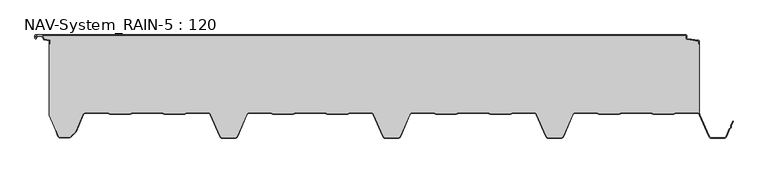
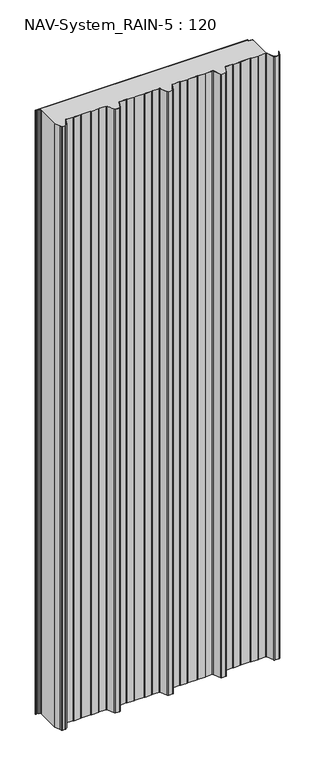
"""IFC4 building model written with IfcOpenShell, lengths in millimetres: plate geometry, NAV-System_RAIN-5 : 120."""

from ifc_helpers import new_model, si_unit, point, frame_2d, origin, origin_with_axes, place, context, project, spatial, polyline, circle_curve, trimmed, segment, composite_curve, outline, extrude, source, transform, mapped, element, save


def nav_system_rain_5_120_d1ebf1fd(model_context):
    return source(origin(), model_context, "Body", "SweptSolid", [
        extrude(outline(composite_curve([segment(polyline([(519.0, -13.6767555), (518.2, -13.6767555), (518.2, -9.3721283), (500.4911207, -6.8818536)]), True, "CONTINUOUS"), segment(trimmed(circle_curve(frame_2d((500.7, -5.3964683)), 1.5), [point((500.4911207, -6.8818536))], [point((499.2, -5.3964683))], False, "CARTESIAN"), True, "CONTINUOUS"), segment(polyline([(499.2, -5.3964683), (499.2, -0.8), (-498.7, -0.8)]), True, "CONTINUOUS"), segment(trimmed(circle_curve(frame_2d((-498.7, -1.3)), 0.5), [point((-498.7, -0.8))], [point((-499.2, -1.3))], True, "CARTESIAN"), True, "CONTINUOUS"), segment(polyline([(-499.2, -1.3), (-499.2, -4.3700191)]), True, "CONTINUOUS"), segment(trimmed(circle_curve(frame_2d((-498.7, -4.3700191)), 0.5), [point((-499.2, -4.3700191))], [point((-498.2669873, -4.6200191))], True, "CARTESIAN"), True, "CONTINUOUS"), segment(polyline([(-498.2669873, -4.6200191), (-496.2924383, -1.2), (-488.9841833, -1.2), (-485.8164586, -6.6866602), (-477.2, -7.898332), (-477.2, -13.6767555), (-478.0, -13.6767555), (-478.0, -8.5937048), (-485.6863953, -7.5128213)]), True, "CONTINUOUS"), segment(trimmed(circle_curve(frame_2d((-485.5053666, -6.2254873)), 1.3), [point((-485.6863953, -7.5128213))], [point((-486.6311996, -6.8754873))], False, "CARTESIAN"), True, "CONTINUOUS"), segment(polyline([(-486.6311996, -6.8754873), (-489.4460636, -2.0), (-495.8305581, -2.0), (-497.574167, -5.0200191)]), True, "CONTINUOUS"), segment(trimmed(circle_curve(frame_2d((-498.7, -4.3700191)), 1.3), [point((-497.574167, -5.0200191))], [point((-500.0, -4.3700191))], False, "CARTESIAN"), True, "CONTINUOUS"), segment(polyline([(-500.0, -4.3700191), (-500.0, -1.3)]), True, "CONTINUOUS"), segment(trimmed(circle_curve(frame_2d((-498.7, -1.3)), 1.3), [point((-500.0, -1.3))], [point((-498.7, 0.0))], False, "CARTESIAN"), True, "CONTINUOUS"), segment(polyline([(-498.7, 0.0), (498.7, 0.0)]), True, "CONTINUOUS"), segment(trimmed(circle_curve(frame_2d((498.7, -1.3)), 1.3), [point((498.7, 0.0))], [point((500.0, -1.3))], False, "CARTESIAN"), True, "CONTINUOUS"), segment(polyline([(500.0, -1.3), (500.0, -5.3964683)]), True, "CONTINUOUS"), segment(trimmed(circle_curve(frame_2d((500.7, -5.3964683)), 0.7), [point((500.0, -5.3964683))], [point((500.602523, -6.0896481))], True, "CARTESIAN"), True, "CONTINUOUS"), segment(polyline([(500.602523, -6.0896481), (517.8810287, -8.5194024)]), True, "CONTINUOUS"), segment(trimmed(circle_curve(frame_2d((517.7, -9.8067363)), 1.3), [point((517.8810287, -8.5194024))], [point((519.0, -9.8067363))], False, "CARTESIAN"), True, "CONTINUOUS"), segment(polyline([(519.0, -9.8067363), (519.0, -13.6767555)]), True, "CONTINUOUS")], self_intersect=False)), origin_with_axes(), (0.0, 0.0, 1.0), 3000.0),
        extrude(outline(composite_curve([segment(trimmed(circle_curve(frame_2d((515.5898022, -124.0)), 4.8), [point((519.0, -120.6220493))], [point((515.5898022, -119.2))], True, "CARTESIAN"), True, "CONTINUOUS"), segment(polyline([(515.5898022, -119.2), (483.6922468, -119.2), (479.6508228, -120.7), (448.0723788, -120.6741102), (444.1768702, -119.2), (400.3589135, -119.2), (396.3174895, -120.7), (364.7390455, -120.6741102), (360.8435369, -119.2), (328.9416341, -119.2)]), True, "CONTINUOUS"), segment(trimmed(circle_curve(frame_2d((328.9416341, -124.0)), 4.8), [point((328.9416341, -119.2))], [point((324.5314363, -122.1052295))], True, "CARTESIAN"), True, "CONTINUOUS"), segment(polyline([(324.5314363, -122.1052295), (310.330878, -155.1579242)]), True, "CONTINUOUS"), segment(trimmed(circle_curve(frame_2d((306.4719549, -153.5)), 4.2), [point((310.330878, -155.1579242))], [point((306.4719549, -157.7))], False, "CARTESIAN"), True, "CONTINUOUS"), segment(polyline([(306.4719549, -157.7), (288.0594814, -157.7)]), True, "CONTINUOUS"), segment(trimmed(circle_curve(frame_2d((288.0594814, -153.5)), 4.2), [point((288.0594814, -157.7))], [point((284.2005583, -155.1579242))], False, "CARTESIAN"), True, "CONTINUOUS"), segment(polyline([(284.2005583, -155.1579242), (270.0, -122.1052295)]), True, "CONTINUOUS"), segment(trimmed(circle_curve(frame_2d((265.5898022, -124.0)), 4.8), [point((270.0, -122.1052295))], [point((265.5898022, -119.2))], True, "CARTESIAN"), True, "CONTINUOUS"), segment(polyline([(265.5898022, -119.2), (233.6922468, -119.2), (229.6508228, -120.7), (198.0723788, -120.6741102), (194.1768702, -119.2), (150.3589135, -119.2), (146.3174895, -120.7), (114.8074622, -120.7), (110.8435369, -119.2), (78.9416341, -119.2)]), True, "CONTINUOUS"), segment(trimmed(circle_curve(frame_2d((78.9416341, -124.0)), 4.8), [point((78.9416341, -119.2))], [point((74.5314363, -122.1052295))], True, "CARTESIAN"), True, "CONTINUOUS"), segment(polyline([(74.5314363, -122.1052295), (60.330878, -155.1579242)]), True, "CONTINUOUS"), segment(trimmed(circle_curve(frame_2d((56.4719549, -153.5)), 4.2), [point((60.330878, -155.1579242))], [point((56.4719549, -157.7))], False, "CARTESIAN"), True, "CONTINUOUS"), segment(polyline([(56.4719549, -157.7), (38.0594814, -157.7)]), True, "CONTINUOUS"), segment(trimmed(circle_curve(frame_2d((38.0594814, -153.5)), 4.2), [point((38.0594814, -157.7))], [point((34.2005583, -155.1579242))], False, "CARTESIAN"), True, "CONTINUOUS"), segment(polyline([(34.2005583, -155.1579242), (20.0, -122.1052295)]), True, "CONTINUOUS"), segment(trimmed(circle_curve(frame_2d((15.5898022, -124.0)), 4.8), [point((20.0, -122.1052295))], [point((15.5898022, -119.2))], True, "CARTESIAN"), True, "CONTINUOUS"), segment(polyline([(15.5898022, -119.2), (-16.3077532, -119.2), (-20.3491772, -120.7), (-51.9276212, -120.6741102), (-55.8231298, -119.2), (-99.6410865, -119.2), (-103.6825105, -120.7), (-135.1925378, -120.7), (-139.1564631, -119.2), (-171.0583659, -119.2)]), True, "CONTINUOUS"), segment(trimmed(circle_curve(frame_2d((-171.0583659, -124.0)), 4.8), [point((-171.0583659, -119.2))], [point((-175.4685637, -122.1052295))], True, "CARTESIAN"), True, "CONTINUOUS"), segment(polyline([(-175.4685637, -122.1052295), (-189.669122, -155.1579242)]), True, "CONTINUOUS"), segment(trimmed(circle_curve(frame_2d((-193.5280451, -153.5)), 4.2), [point((-189.669122, -155.1579242))], [point((-193.5280451, -157.7))], False, "CARTESIAN"), True, "CONTINUOUS"), segment(polyline([(-193.5280451, -157.7), (-211.9405186, -157.7)]), True, "CONTINUOUS"), segment(trimmed(circle_curve(frame_2d((-211.9405186, -153.5)), 4.2), [point((-211.9405186, -157.7))], [point((-215.7994417, -155.1579242))], False, "CARTESIAN"), True, "CONTINUOUS"), segment(polyline([(-215.7994417, -155.1579242), (-230.0, -122.1052295)]), True, "CONTINUOUS"), segment(trimmed(circle_curve(frame_2d((-234.4101978, -124.0)), 4.8), [point((-230.0, -122.1052295))], [point((-234.4101978, -119.2))], True, "CARTESIAN"), True, "CONTINUOUS"), segment(polyline([(-234.4101978, -119.2), (-266.3077532, -119.2), (-270.3491772, -120.7), (-301.9276212, -120.6741102), (-305.8231298, -119.2), (-349.6410865, -119.2), (-353.6825105, -120.7), (-385.1925378, -120.7), (-389.1564631, -119.2), (-421.9290751, -119.2)]), True, "CONTINUOUS"), segment(trimmed(circle_curve(frame_2d((-421.9290751, -124.0)), 4.8), [point((-421.9290751, -119.2))], [point((-426.3392729, -122.1052295))], True, "CARTESIAN"), True, "CONTINUOUS"), segment(polyline([(-426.3392729, -122.1052295), (-437.4245651, -147.9069459)]), True, "CONTINUOUS"), segment(trimmed(circle_curve(frame_2d((-441.2834882, -146.2490217)), 4.2), [point((-437.4245651, -147.9069459))], [point((-438.3136397, -149.2188701))], False, "CARTESIAN"), True, "CONTINUOUS"), segment(polyline([(-438.3136397, -149.2188701), (-444.764618, -155.6698485)]), True, "CONTINUOUS"), segment(trimmed(circle_curve(frame_2d((-447.7344665, -152.7)), 4.2), [point((-444.764618, -155.6698485))], [point((-447.7344665, -156.9))], False, "CARTESIAN"), True, "CONTINUOUS"), segment(polyline([(-447.7344665, -156.9), (-461.1405186, -156.9)]), True, "CONTINUOUS"), segment(trimmed(circle_curve(frame_2d((-461.1405186, -153.7)), 3.2), [point((-461.1405186, -156.9))], [point((-464.1022482, -154.9116756))], False, "CARTESIAN"), True, "CONTINUOUS"), segment(polyline([(-464.1022482, -154.9116756), (-467.6292254, -146.2905951), (-468.3696578, -146.593514), (-478.0, -123.053822), (-478.0, -13.6767555), (-477.2, -13.6767555), (-477.2, -7.898332), (-485.8164586, -6.6866602), (-488.9841833, -1.2), (-496.2924383, -1.2), (-498.2669873, -4.6200191)]), True, "CONTINUOUS"), segment(trimmed(circle_curve(frame_2d((-498.7, -4.3700191)), 0.5), [point((-498.2669873, -4.6200191))], [point((-499.2, -4.3700191))], False, "CARTESIAN"), True, "CONTINUOUS"), segment(polyline([(-499.2, -4.3700191), (-499.2, -1.3)]), True, "CONTINUOUS"), segment(trimmed(circle_curve(frame_2d((-498.7, -1.3)), 0.5), [point((-499.2, -1.3))], [point((-498.7, -0.8))], False, "CARTESIAN"), True, "CONTINUOUS"), segment(polyline([(-498.7, -0.8), (499.2, -0.8), (499.2, -5.3964683)]), True, "CONTINUOUS"), segment(trimmed(circle_curve(frame_2d((500.7, -5.3964683)), 1.5), [point((499.2, -5.3964683))], [point((500.4911207, -6.8818536))], True, "CARTESIAN"), True, "CONTINUOUS"), segment(polyline([(500.4911207, -6.8818536), (518.2, -9.3721283), (518.2, -13.6767555), (519.0, -13.6767555), (519.0, -120.6220493)]), True, "CONTINUOUS")], self_intersect=False)), origin_with_axes(), (0.0, 0.0, 1.0), 3000.0),
        extrude(outline(composite_curve([segment(polyline([(-464.8430228, -155.2145945), (-468.37, -146.593514), (-467.6295676, -146.2905951), (-464.1025904, -154.9116756)]), True, "CONTINUOUS"), segment(trimmed(circle_curve(frame_2d((-461.1408608, -153.7)), 3.2), [point((-464.1025904, -154.9116756))], [point((-461.1408608, -156.9))], True, "CARTESIAN"), True, "CONTINUOUS"), segment(polyline([(-461.1408608, -156.9), (-447.7348087, -156.9)]), True, "CONTINUOUS"), segment(trimmed(circle_curve(frame_2d((-447.7348087, -152.7)), 4.2), [point((-447.7348087, -156.9))], [point((-444.7649603, -155.6698485))], True, "CARTESIAN"), True, "CONTINUOUS"), segment(polyline([(-444.7649603, -155.6698485), (-438.3139819, -149.2188701)]), True, "CONTINUOUS"), segment(trimmed(circle_curve(frame_2d((-441.2838304, -146.2490217)), 4.2), [point((-438.3139819, -149.2188701))], [point((-437.4249073, -147.9069459))], True, "CARTESIAN"), True, "CONTINUOUS"), segment(polyline([(-437.4249073, -147.9069459), (-426.3396151, -122.1052295)]), True, "CONTINUOUS"), segment(trimmed(circle_curve(frame_2d((-421.9294173, -124.0)), 4.8), [point((-426.3396151, -122.1052295))], [point((-421.9294173, -119.2))], False, "CARTESIAN"), True, "CONTINUOUS"), segment(polyline([(-421.9294173, -119.2), (-389.1568054, -119.2), (-385.19288, -120.7), (-353.6828527, -120.7), (-349.6414287, -119.2), (-305.8234721, -119.2), (-301.9279634, -120.6741102), (-270.3495194, -120.7), (-266.3080954, -119.2), (-234.41054, -119.2)]), True, "CONTINUOUS"), segment(trimmed(circle_curve(frame_2d((-234.41054, -124.0)), 4.8), [point((-234.41054, -119.2))], [point((-230.0003422, -122.1052295))], False, "CARTESIAN"), True, "CONTINUOUS"), segment(polyline([(-230.0003422, -122.1052295), (-215.7997839, -155.1579242)]), True, "CONTINUOUS"), segment(trimmed(circle_curve(frame_2d((-211.9408608, -153.5)), 4.2), [point((-215.7997839, -155.1579242))], [point((-211.9408608, -157.7))], True, "CARTESIAN"), True, "CONTINUOUS"), segment(polyline([(-211.9408608, -157.7), (-193.5283873, -157.7)]), True, "CONTINUOUS"), segment(trimmed(circle_curve(frame_2d((-193.5283873, -153.5)), 4.2), [point((-193.5283873, -157.7))], [point((-189.6694642, -155.1579242))], True, "CARTESIAN"), True, "CONTINUOUS"), segment(polyline([(-189.6694642, -155.1579242), (-175.4689059, -122.1052295)]), True, "CONTINUOUS"), segment(trimmed(circle_curve(frame_2d((-171.0587081, -124.0)), 4.8), [point((-175.4689059, -122.1052295))], [point((-171.0587081, -119.2))], False, "CARTESIAN"), True, "CONTINUOUS"), segment(polyline([(-171.0587081, -119.2), (-139.1568054, -119.2), (-135.2612967, -120.6741102), (-103.6828527, -120.7), (-99.6414287, -119.2), (-55.8234721, -119.2), (-51.9279634, -120.6741102), (-20.3495194, -120.7), (-16.3080954, -119.2), (15.58946, -119.2)]), True, "CONTINUOUS"), segment(trimmed(circle_curve(frame_2d((15.58946, -124.0)), 4.8), [point((15.58946, -119.2))], [point((19.9996578, -122.1052295))], False, "CARTESIAN"), True, "CONTINUOUS"), segment(polyline([(19.9996578, -122.1052295), (34.2002161, -155.1579242)]), True, "CONTINUOUS"), segment(trimmed(circle_curve(frame_2d((38.0591392, -153.5)), 4.2), [point((34.2002161, -155.1579242))], [point((38.0591392, -157.7))], True, "CARTESIAN"), True, "CONTINUOUS"), segment(polyline([(38.0591392, -157.7), (56.4716127, -157.7)]), True, "CONTINUOUS"), segment(trimmed(circle_curve(frame_2d((56.4716127, -153.5)), 4.2), [point((56.4716127, -157.7))], [point((60.3305358, -155.1579242))], True, "CARTESIAN"), True, "CONTINUOUS"), segment(polyline([(60.3305358, -155.1579242), (74.5310941, -122.1052295)]), True, "CONTINUOUS"), segment(trimmed(circle_curve(frame_2d((78.9412919, -124.0)), 4.8), [point((74.5310941, -122.1052295))], [point((78.9412919, -119.2))], False, "CARTESIAN"), True, "CONTINUOUS"), segment(polyline([(78.9412919, -119.2), (110.8431946, -119.2), (114.7387033, -120.6741102), (146.3171473, -120.7), (150.3585713, -119.2), (194.1765279, -119.2), (198.0720366, -120.6741102), (229.6504806, -120.7), (233.6919046, -119.2), (265.58946, -119.2)]), True, "CONTINUOUS"), segment(trimmed(circle_curve(frame_2d((265.58946, -124.0)), 4.8), [point((265.58946, -119.2))], [point((269.9996578, -122.1052295))], False, "CARTESIAN"), True, "CONTINUOUS"), segment(polyline([(269.9996578, -122.1052295), (284.2002161, -155.1579242)]), True, "CONTINUOUS"), segment(trimmed(circle_curve(frame_2d((288.0591392, -153.5)), 4.2), [point((284.2002161, -155.1579242))], [point((288.0591392, -157.7))], True, "CARTESIAN"), True, "CONTINUOUS"), segment(polyline([(288.0591392, -157.7), (306.4716127, -157.7)]), True, "CONTINUOUS"), segment(trimmed(circle_curve(frame_2d((306.4716127, -153.5)), 4.2), [point((306.4716127, -157.7))], [point((310.3305358, -155.1579242))], True, "CARTESIAN"), True, "CONTINUOUS"), segment(polyline([(310.3305358, -155.1579242), (324.5310941, -122.1052295)]), True, "CONTINUOUS"), segment(trimmed(circle_curve(frame_2d((328.9412919, -124.0)), 4.8), [point((324.5310941, -122.1052295))], [point((328.9412919, -119.2))], False, "CARTESIAN"), True, "CONTINUOUS"), segment(polyline([(328.9412919, -119.2), (360.8431946, -119.2), (364.7387033, -120.6741102), (396.3171473, -120.7), (400.3585713, -119.2), (444.1765279, -119.2), (448.0720366, -120.6741102), (479.6504806, -120.7), (483.6919046, -119.2), (515.58946, -119.2)]), True, "CONTINUOUS"), segment(trimmed(circle_curve(frame_2d((515.58946, -124.0)), 4.8), [point((515.58946, -119.2))], [point((519.9996578, -122.1052295))], False, "CARTESIAN"), True, "CONTINUOUS"), segment(polyline([(519.9996578, -122.1052295), (534.2002161, -155.1579242)]), True, "CONTINUOUS"), segment(trimmed(circle_curve(frame_2d((538.0591392, -153.5)), 4.2), [point((534.2002161, -155.1579242))], [point((538.0591392, -157.7))], True, "CARTESIAN"), True, "CONTINUOUS"), segment(polyline([(538.0591392, -157.7), (556.4716127, -157.7)]), True, "CONTINUOUS"), segment(trimmed(circle_curve(frame_2d((556.4716127, -153.5)), 4.2), [point((556.4716127, -157.7))], [point((560.3305358, -155.1579242))], True, "CARTESIAN"), True, "CONTINUOUS"), segment(polyline([(560.3305358, -155.1579242), (565.2356202, -143.741031), (567.1121268, -142.0654564), (567.0358547, -139.5508717), (570.0831709, -132.458051), (570.8182039, -132.7738461), (567.8408612, -139.703799), (567.9230626, -142.4138642), (565.9006789, -144.2196957), (561.0655687, -155.4737193)]), True, "CONTINUOUS"), segment(trimmed(circle_curve(frame_2d((556.4716127, -153.5)), 5.0), [point((561.0655687, -155.4737193))], [point((556.4716127, -158.5))], False, "CARTESIAN"), True, "CONTINUOUS"), segment(polyline([(556.4716127, -158.5), (538.0591392, -158.5)]), True, "CONTINUOUS"), segment(trimmed(circle_curve(frame_2d((538.0591392, -153.5)), 5.0), [point((538.0591392, -158.5))], [point((533.4651831, -155.4737193))], False, "CARTESIAN"), True, "CONTINUOUS"), segment(polyline([(533.4651831, -155.4737193), (519.2646248, -122.4210246)]), True, "CONTINUOUS"), segment(trimmed(circle_curve(frame_2d((515.58946, -124.0)), 4.0), [point((519.2646248, -122.4210246))], [point((515.58946, -120.0))], True, "CARTESIAN"), True, "CONTINUOUS"), segment(polyline([(515.58946, -120.0), (483.8338601, -120.0), (479.8699347, -121.5), (447.9941505, -121.5), (444.0302251, -120.0), (400.5005268, -120.0), (396.5366014, -121.5), (364.6608172, -121.5), (360.6968918, -120.0), (328.9412919, -120.0)]), True, "CONTINUOUS"), segment(trimmed(circle_curve(frame_2d((328.9412919, -124.0)), 4.0), [point((328.9412919, -120.0))], [point((325.2661271, -122.4210246))], True, "CARTESIAN"), True, "CONTINUOUS"), segment(polyline([(325.2661271, -122.4210246), (311.0655687, -155.4737193)]), True, "CONTINUOUS"), segment(trimmed(circle_curve(frame_2d((306.4716127, -153.5)), 5.0), [point((311.0655687, -155.4737193))], [point((306.4716127, -158.5))], False, "CARTESIAN"), True, "CONTINUOUS"), segment(polyline([(306.4716127, -158.5), (288.0591392, -158.5)]), True, "CONTINUOUS"), segment(trimmed(circle_curve(frame_2d((288.0591392, -153.5)), 5.0), [point((288.0591392, -158.5))], [point((283.4651831, -155.4737193))], False, "CARTESIAN"), True, "CONTINUOUS"), segment(polyline([(283.4651831, -155.4737193), (269.2646248, -122.4210246)]), True, "CONTINUOUS"), segment(trimmed(circle_curve(frame_2d((265.58946, -124.0)), 4.0), [point((269.2646248, -122.4210246))], [point((265.58946, -120.0))], True, "CARTESIAN"), True, "CONTINUOUS"), segment(polyline([(265.58946, -120.0), (233.8338601, -120.0), (229.8699347, -121.5), (197.9941505, -121.5), (194.0302251, -120.0), (150.5005268, -120.0), (146.5366014, -121.5), (114.6608172, -121.5), (110.6968918, -120.0), (78.9412919, -120.0)]), True, "CONTINUOUS"), segment(trimmed(circle_curve(frame_2d((78.9412919, -124.0)), 4.0), [point((78.9412919, -120.0))], [point((75.2661271, -122.4210246))], True, "CARTESIAN"), True, "CONTINUOUS"), segment(polyline([(75.2661271, -122.4210246), (61.0655687, -155.4737193)]), True, "CONTINUOUS"), segment(trimmed(circle_curve(frame_2d((56.4716127, -153.5)), 5.0), [point((61.0655687, -155.4737193))], [point((56.4716127, -158.5))], False, "CARTESIAN"), True, "CONTINUOUS"), segment(polyline([(56.4716127, -158.5), (38.0591392, -158.5)]), True, "CONTINUOUS"), segment(trimmed(circle_curve(frame_2d((38.0591392, -153.5)), 5.0), [point((38.0591392, -158.5))], [point((33.4651831, -155.4737193))], False, "CARTESIAN"), True, "CONTINUOUS"), segment(polyline([(33.4651831, -155.4737193), (19.2646248, -122.4210246)]), True, "CONTINUOUS"), segment(trimmed(circle_curve(frame_2d((15.58946, -124.0)), 4.0), [point((19.2646248, -122.4210246))], [point((15.58946, -120.0))], True, "CARTESIAN"), True, "CONTINUOUS"), segment(polyline([(15.58946, -120.0), (-16.1661399, -120.0), (-20.1300653, -121.5), (-52.0058495, -121.5), (-55.9697749, -120.0), (-99.4994732, -120.0), (-103.4633986, -121.5), (-135.3391828, -121.5), (-139.3031082, -120.0), (-171.0587081, -120.0)]), True, "CONTINUOUS"), segment(trimmed(circle_curve(frame_2d((-171.0587081, -124.0)), 4.0), [point((-171.0587081, -120.0))], [point((-174.7338729, -122.4210246))], True, "CARTESIAN"), True, "CONTINUOUS"), segment(polyline([(-174.7338729, -122.4210246), (-188.9344313, -155.4737193)]), True, "CONTINUOUS"), segment(trimmed(circle_curve(frame_2d((-193.5283873, -153.5)), 5.0), [point((-188.9344313, -155.4737193))], [point((-193.5283873, -158.5))], False, "CARTESIAN"), True, "CONTINUOUS"), segment(polyline([(-193.5283873, -158.5), (-211.9408608, -158.5)]), True, "CONTINUOUS"), segment(trimmed(circle_curve(frame_2d((-211.9408608, -153.5)), 5.0), [point((-211.9408608, -158.5))], [point((-216.5348169, -155.4737193))], False, "CARTESIAN"), True, "CONTINUOUS"), segment(polyline([(-216.5348169, -155.4737193), (-230.7353752, -122.4210246)]), True, "CONTINUOUS"), segment(trimmed(circle_curve(frame_2d((-234.41054, -124.0)), 4.0), [point((-230.7353752, -122.4210246))], [point((-234.41054, -120.0))], True, "CARTESIAN"), True, "CONTINUOUS"), segment(polyline([(-234.41054, -120.0), (-266.1661399, -120.0), (-270.1300653, -121.5), (-302.0058495, -121.5), (-305.9697749, -120.0), (-349.4994732, -120.0), (-353.4633986, -121.5), (-385.3391828, -121.5), (-389.3031082, -120.0), (-421.9294173, -120.0)]), True, "CONTINUOUS"), segment(trimmed(circle_curve(frame_2d((-421.9294173, -124.0)), 4.0), [point((-421.9294173, -120.0))], [point((-425.6045822, -122.4210246))], True, "CARTESIAN"), True, "CONTINUOUS"), segment(polyline([(-425.6045822, -122.4210246), (-436.6898744, -148.2227409)]), True, "CONTINUOUS"), segment(trimmed(circle_curve(frame_2d((-441.2838304, -146.2490217)), 5.0), [point((-436.6898744, -148.2227409))], [point((-437.7482965, -149.7845556))], False, "CARTESIAN"), True, "CONTINUOUS"), segment(polyline([(-437.7482965, -149.7845556), (-444.1992748, -156.2355339)]), True, "CONTINUOUS"), segment(trimmed(circle_curve(frame_2d((-447.7348087, -152.7)), 5.0), [point((-444.1992748, -156.2355339))], [point((-447.7348087, -157.7))], False, "CARTESIAN"), True, "CONTINUOUS"), segment(polyline([(-447.7348087, -157.7), (-461.1408608, -157.7)]), True, "CONTINUOUS"), segment(trimmed(circle_curve(frame_2d((-461.1408608, -153.7)), 4.0), [point((-461.1408608, -157.7))], [point((-464.8430228, -155.2145945))], False, "CARTESIAN"), True, "CONTINUOUS")], self_intersect=False)), origin_with_axes(), (0.0, 0.0, 1.0), 3000.0),
    ])


if __name__ == "__main__":
    model = new_model("IFC4")
    model_context = context("Model", 3, world=origin())
    ifc_project = project(units=[si_unit("LENGTHUNIT", "METRE", prefix="MILLI")], contexts=[model_context])
    site = spatial("IfcSite", under=ifc_project)
    building = spatial("IfcBuilding", under=site)
    placement = place(None, origin())
    nav_system_rain_5_120_shape = nav_system_rain_5_120_d1ebf1fd(model_context)
    element("IfcPlate", 1, ObjectType="NAV-System_RAIN-5 : 120", at=placement, inside=building, context=model_context, shape_type="MappedRepresentation", body=[
        mapped(nav_system_rain_5_120_shape, transform((0.0, 0.0, 0.0), x_axis=(1.0, 0.0, 0.0), y_axis=(0.0, 1.0, 0.0), z_axis=(0.0, 0.0, 1.0))),
    ])
    save(model, "model.ifc")
